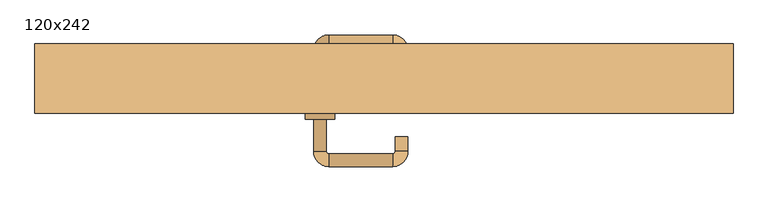
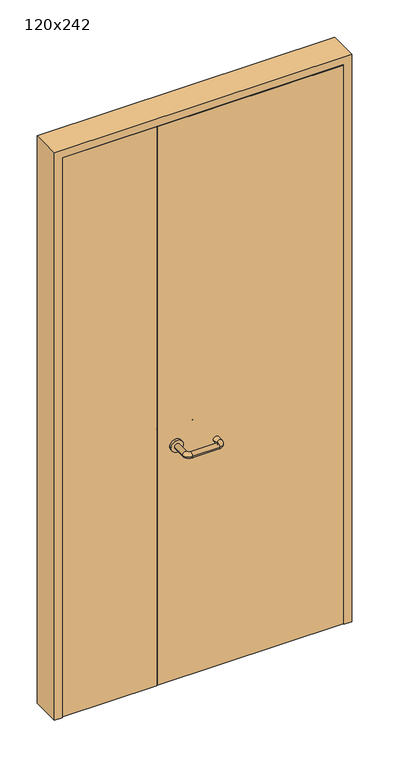
"""IFC4 building model written with IfcOpenShell, lengths in millimetres: door geometry, 120x242."""

from ifc_helpers import new_model, si_unit, point, frame, frame_2d, origin, place, context, project, spatial, polyline, circle_curve, ellipse_curve, trimmed, segment, composite_curve, outline, extrude, faceted_brep, source, transform, mapped, element, save
from ifc_brep_helpers import plane_surface, cylinder_surface, revolved_surface, advanced_brep


def door_120x242_2826c390(model_context):
    return source(origin(), model_context, "Body", "SolidModel", [
        faceted_brep([(547.0, -40.0, 0.0), (568.0, -40.0, 0.0), (568.0, -113.0, 0.0), (547.0, -113.0, 0.0), (547.0, -113.0, 2367.0), (547.0, -40.0, 2367.0), (568.0, -113.0, 2388.0), (568.0, -40.0, 2388.0), (-547.0, -40.0, 0.0), (-547.0, -113.0, 0.0), (-568.0, -113.0, 0.0), (-568.0, -40.0, 0.0), (-547.0, -40.0, 2367.0), (-568.0, -40.0, 2388.0), (-568.0, -113.0, 2388.0), (-547.0, -113.0, 2367.0)], [[[0, 1, 2, 3]], [[3, 4, 5, 0]], [[2, 6, 4, 3]], [[1, 7, 6, 2]], [[0, 5, 7, 1]], [[8, 9, 10, 11]], [[12, 8, 11, 13]], [[13, 11, 10, 14]], [[14, 10, 9, 15]], [[15, 9, 8, 12]], [[4, 15, 12, 5]], [[6, 14, 15, 4]], [[7, 13, 14, 6]], [[5, 12, 13, 7]]]),
        extrude(outline(polyline([(2420.0, -600.0), (0.0, -600.0), (0.0, -568.0), (2388.0, -568.0), (2388.0, 568.0), (0.0, 568.0), (0.0, 600.0), (2420.0, 600.0), (2420.0, -600.0)])), frame((0.0, -160.0, 0.0), z_axis=(0.0, 1.0, 0.0), x_axis=(0.0, 0.0, 1.0)), (0.0, 0.0, 1.0), 120.0),
        advanced_brep(
        [(-121.0, -105.8874183, 1003.0), (-99.0, -105.8874183, 1003.0), (-99.0, -51.0031939, 1003.0), (-121.0, -51.0031939, 1003.0), (-95.0, -47.0031939, 1003.0), (-95.0, -25.0031939, 1003.0), (15.0, -47.0031939, 1003.0), (15.0, -25.0031939, 1003.0), (19.0, -51.0031939, 1003.0), (41.0, -51.0031939, 1003.0), (41.0, -85.0, 1003.0), (19.0, -85.0, 1003.0)],
        [
            (0, 1, circle_curve(frame((-110.0, -105.8874183, 1003.0), z_axis=(0.0, -1.0, 0.0), x_axis=(1.0, 0.0, 0.0)), 11.0)),
            (1, 0, circle_curve(frame((-110.0, -105.8874183, 1003.0), z_axis=(0.0, -1.0, 0.0), x_axis=(1.0, 0.0, 0.0)), 11.0)),
            (1, 2),
            (2, 3, circle_curve(frame((-110.0, -51.0031939, 1003.0), z_axis=(0.0, -1.0, 0.0), x_axis=(1.0, 0.0, 0.0)), 11.0)),
            (3, 0),
            (3, 2, circle_curve(frame((-110.0, -51.0031939, 1003.0), z_axis=(0.0, -1.0, 0.0), x_axis=(1.0, 0.0, 0.0)), 11.0)),
            (4, 5, circle_curve(frame((-95.0, -36.0031939, 1003.0), z_axis=(-1.0, 0.0, 0.0), x_axis=(0.0, -1.0, 0.0)), 11.0)),
            (5, 3, circle_curve(frame((-95.0, -51.0031939, 1003.0), z_axis=(0.0, 0.0, 1.0), x_axis=(-1.0, 0.0, 0.0)), 26.0)),
            (2, 4, circle_curve(frame((-95.0, -51.0031939, 1003.0), z_axis=(0.0, 0.0, -1.0), x_axis=(-1.0, 0.0, 0.0)), 4.0)),
            (5, 4, circle_curve(frame((-95.0, -36.0031939, 1003.0), z_axis=(-1.0, 0.0, 0.0), x_axis=(0.0, -1.0, 0.0)), 11.0)),
            (4, 6),
            (6, 7, circle_curve(frame((15.0, -36.0031939, 1003.0), z_axis=(-1.0, 0.0, 0.0), x_axis=(0.0, -1.0, 0.0)), 11.0)),
            (7, 5),
            (7, 6, circle_curve(frame((15.0, -36.0031939, 1003.0), z_axis=(-1.0, 0.0, 0.0), x_axis=(0.0, -1.0, 0.0)), 11.0)),
            (8, 9, circle_curve(frame((30.0, -51.0031939, 1003.0), z_axis=(0.0, 1.0, 0.0), x_axis=(-1.0, 0.0, 0.0)), 11.0)),
            (9, 7, circle_curve(frame((15.0, -51.0031939, 1003.0), z_axis=(0.0, 0.0, 1.0), x_axis=(0.0, 1.0, 0.0)), 26.0)),
            (6, 8, circle_curve(frame((15.0, -51.0031939, 1003.0), z_axis=(0.0, 0.0, -1.0), x_axis=(0.0, 1.0, 0.0)), 4.0)),
            (9, 8, circle_curve(frame((30.0, -51.0031939, 1003.0), z_axis=(0.0, 1.0, 0.0), x_axis=(-1.0, 0.0, 0.0)), 11.0)),
            (10, 11, circle_curve(frame((30.0, -85.0, 1003.0), z_axis=(0.0, -1.0, 0.0), x_axis=(-1.0, 0.0, 0.0)), 11.0)),
            (11, 10, circle_curve(frame((30.0, -85.0, 1003.0), z_axis=(0.0, -1.0, 0.0), x_axis=(-1.0, 0.0, 0.0)), 11.0)),
            (8, 11),
            (10, 9),
        ],
        [
            plane_surface(frame((-121.0, -105.8874183, 1003.0), z_axis=(0.0, -1.0, 0.0), x_axis=(0.0, 0.0, -1.0))),
            cylinder_surface(frame((-110.0, -105.8874183, 1003.0), z_axis=(0.0, -1.0, 0.0), x_axis=(1.0, 0.0, 0.0)), 11.0),
            revolved_surface(trimmed(ellipse_curve(frame((-110.0, -51.0031939, 1003.0), z_axis=(0.0, 1.0, 0.0), x_axis=(1.0, 0.0, 0.0)), 11.0, 11.0), [point((-121.0, -51.0031939, 1003.0))], [point((-99.0, -51.0031939, 1003.0))], True, "CARTESIAN"), (-95.0, -51.0031939, 1003.0), (0.0, 0.0, 1.0)),
            revolved_surface(trimmed(ellipse_curve(frame((-110.0, -51.0031939, 1003.0), z_axis=(0.0, 1.0, 0.0), x_axis=(1.0, 0.0, 0.0)), 11.0, 11.0), [point((-99.0, -51.0031939, 1003.0))], [point((-121.0, -51.0031939, 1003.0))], True, "CARTESIAN"), (-95.0, -51.0031939, 1003.0), (0.0, 0.0, 1.0)),
            cylinder_surface(frame((-95.0, -36.0031939, 1003.0), z_axis=(-1.0, 0.0, 0.0), x_axis=(0.0, -1.0, 0.0)), 11.0),
            revolved_surface(trimmed(ellipse_curve(frame((15.0, -36.0031939, 1003.0), z_axis=(1.0, 0.0, 0.0), x_axis=(0.0, -1.0, 0.0)), 11.0, 11.0), [point((15.0, -25.0031939, 1003.0))], [point((15.0, -47.0031939, 1003.0))], True, "CARTESIAN"), (15.0, -51.0031939, 1003.0), (0.0, 0.0, 1.0)),
            revolved_surface(trimmed(ellipse_curve(frame((15.0, -36.0031939, 1003.0), z_axis=(1.0, 0.0, 0.0), x_axis=(0.0, -1.0, 0.0)), 11.0, 11.0), [point((15.0, -47.0031939, 1003.0))], [point((15.0, -25.0031939, 1003.0))], True, "CARTESIAN"), (15.0, -51.0031939, 1003.0), (0.0, 0.0, 1.0)),
            plane_surface(frame((19.0, -85.0, 1003.0), z_axis=(0.0, -1.0, 0.0), x_axis=(0.0, 0.0, 1.0))),
            cylinder_surface(frame((30.0, -51.0031939, 1003.0), z_axis=(0.0, 1.0, 0.0), x_axis=(-1.0, 0.0, 0.0)), 11.0),
        ],
        [
            (0, [[1, 2]]),
            (1, [[3, 4, 5, -2]]),
            (1, [[-5, 6, -3, -1]]),
            (2, [[7, 8, -4, 9]]),
            (3, [[10, -9, -6, -8]]),
            (4, [[11, 12, 13, -7]]),
            (4, [[-13, 14, -11, -10]]),
            (5, [[15, 16, -12, 17]]),
            (6, [[18, -17, -14, -16]]),
            (7, [[19, 20]]),
            (8, [[21, -19, 22, -15]]),
            (8, [[-22, -20, -21, -18]]),
        ],
    ),
        extrude(outline(polyline([(-186.99898, -116.0), (-186.99898, -160.0), (-565.0, -160.0), (-565.0, -116.0), (-186.99898, -116.0)])), frame((0.0, 0.0, 3.0), z_axis=(0.0, 0.0, 1.0), x_axis=(1.0, 0.0, 0.0)), (0.0, 0.0, 1.0), 2382.0),
        extrude(outline(polyline([(565.0, -116.0), (565.0, -160.0), (-185.0, -160.0), (-185.0, -116.0), (565.0, -116.0)])), frame((0.0, 0.0, 3.0), z_axis=(0.0, 0.0, 1.0), x_axis=(1.0, 0.0, 0.0)), (0.0, 0.0, 1.0), 2382.0),
        extrude(outline(composite_curve([segment(trimmed(circle_curve(frame_2d((1003.0, -110.0)), 25.0), [point((1003.0, -135.0))], [point((1003.0, -85.0))], False, "CARTESIAN"), True, "CONTINUOUS"), segment(trimmed(circle_curve(frame_2d((1003.0, -110.0)), 25.0), [point((1003.0, -85.0))], [point((1003.0, -135.0))], False, "CARTESIAN"), True, "CONTINUOUS")], self_intersect=False)), frame((0.0, -116.0, 0.0), z_axis=(0.0, 1.0, 0.0), x_axis=(0.0, 0.0, 1.0)), (0.0, 0.0, 1.0), 10.1125817),
        advanced_brep(
        [(-99.0, -170.0, 1003.0), (-121.0, -170.0, 1003.0), (-121.0, -225.0, 1003.0), (-99.0, -225.0, 1003.0), (-95.0, -251.0, 1003.0), (-95.0, -229.0, 1003.0), (15.0, -251.0, 1003.0), (15.0, -229.0, 1003.0), (41.0, -225.0, 1003.0), (19.0, -225.0, 1003.0), (19.0, -200.0, 1003.0), (41.0, -200.0, 1003.0)],
        [
            (0, 1, circle_curve(frame((-110.0, -170.0, 1003.0), z_axis=(0.0, 1.0, 0.0), x_axis=(-1.0, 0.0, 0.0)), 11.0)),
            (1, 0, circle_curve(frame((-110.0, -170.0, 1003.0), z_axis=(0.0, 1.0, 0.0), x_axis=(-1.0, 0.0, 0.0)), 11.0)),
            (1, 2),
            (2, 3, circle_curve(frame((-110.0, -225.0, 1003.0), z_axis=(0.0, 1.0, 0.0), x_axis=(-1.0, 0.0, 0.0)), 11.0)),
            (3, 0),
            (3, 2, circle_curve(frame((-110.0, -225.0, 1003.0), z_axis=(0.0, 1.0, 0.0), x_axis=(-1.0, 0.0, 0.0)), 11.0)),
            (4, 5, circle_curve(frame((-95.0, -240.0, 1003.0), z_axis=(-1.0, 0.0, 0.0), x_axis=(0.0, -1.0, 0.0)), 11.0)),
            (5, 3, circle_curve(frame((-95.0, -225.0, 1003.0), z_axis=(0.0, 0.0, -1.0), x_axis=(-1.0, 0.0, 0.0)), 4.0)),
            (2, 4, circle_curve(frame((-95.0, -225.0, 1003.0), z_axis=(0.0, 0.0, 1.0), x_axis=(-1.0, 0.0, 0.0)), 26.0)),
            (5, 4, circle_curve(frame((-95.0, -240.0, 1003.0), z_axis=(-1.0, 0.0, 0.0), x_axis=(0.0, -1.0, 0.0)), 11.0)),
            (4, 6),
            (6, 7, circle_curve(frame((15.0, -240.0, 1003.0), z_axis=(-1.0, 0.0, 0.0), x_axis=(0.0, -1.0, 0.0)), 11.0)),
            (7, 5),
            (7, 6, circle_curve(frame((15.0, -240.0, 1003.0), z_axis=(-1.0, 0.0, 0.0), x_axis=(0.0, -1.0, 0.0)), 11.0)),
            (8, 9, circle_curve(frame((30.0, -225.0, 1003.0), z_axis=(0.0, -1.0, 0.0), x_axis=(1.0, 0.0, 0.0)), 11.0)),
            (9, 7, circle_curve(frame((15.0, -225.0, 1003.0), z_axis=(0.0, 0.0, -1.0), x_axis=(0.0, -1.0, 0.0)), 4.0)),
            (6, 8, circle_curve(frame((15.0, -225.0, 1003.0), z_axis=(0.0, 0.0, 1.0), x_axis=(0.0, -1.0, 0.0)), 26.0)),
            (9, 8, circle_curve(frame((30.0, -225.0, 1003.0), z_axis=(0.0, -1.0, 0.0), x_axis=(1.0, 0.0, 0.0)), 11.0)),
            (10, 11, circle_curve(frame((30.0, -200.0, 1003.0), z_axis=(0.0, 1.0, 0.0), x_axis=(1.0, 0.0, 0.0)), 11.0)),
            (11, 10, circle_curve(frame((30.0, -200.0, 1003.0), z_axis=(0.0, 1.0, 0.0), x_axis=(1.0, 0.0, 0.0)), 11.0)),
            (8, 11),
            (10, 9),
        ],
        [
            plane_surface(frame((-121.0, -170.0, 1003.0), z_axis=(0.0, 1.0, 0.0), x_axis=(0.0, 0.0, 1.0))),
            cylinder_surface(frame((-110.0, -170.0, 1003.0), z_axis=(0.0, 1.0, 0.0), x_axis=(-1.0, 0.0, 0.0)), 11.0),
            revolved_surface(trimmed(ellipse_curve(frame((-110.0, -225.0, 1003.0), z_axis=(0.0, -1.0, 0.0), x_axis=(-1.0, 0.0, 0.0)), 11.0, 11.0), [point((-99.0, -225.0, 1003.0))], [point((-121.0, -225.0, 1003.0))], True, "CARTESIAN"), (-95.0, -225.0, 1003.0), (0.0, 0.0, -1.0)),
            revolved_surface(trimmed(ellipse_curve(frame((-110.0, -225.0, 1003.0), z_axis=(0.0, -1.0, 0.0), x_axis=(-1.0, 0.0, 0.0)), 11.0, 11.0), [point((-121.0, -225.0, 1003.0))], [point((-99.0, -225.0, 1003.0))], True, "CARTESIAN"), (-95.0, -225.0, 1003.0), (0.0, 0.0, -1.0)),
            cylinder_surface(frame((-95.0, -240.0, 1003.0), z_axis=(-1.0, 0.0, 0.0), x_axis=(0.0, -1.0, 0.0)), 11.0),
            revolved_surface(trimmed(ellipse_curve(frame((15.0, -240.0, 1003.0), z_axis=(1.0, 0.0, 0.0), x_axis=(0.0, -1.0, 0.0)), 11.0, 11.0), [point((15.0, -229.0, 1003.0))], [point((15.0, -251.0, 1003.0))], True, "CARTESIAN"), (15.0, -225.0, 1003.0), (0.0, 0.0, -1.0)),
            revolved_surface(trimmed(ellipse_curve(frame((15.0, -240.0, 1003.0), z_axis=(1.0, 0.0, 0.0), x_axis=(0.0, -1.0, 0.0)), 11.0, 11.0), [point((15.0, -251.0, 1003.0))], [point((15.0, -229.0, 1003.0))], True, "CARTESIAN"), (15.0, -225.0, 1003.0), (0.0, 0.0, -1.0)),
            plane_surface(frame((19.0, -200.0, 1003.0), z_axis=(0.0, 1.0, 0.0), x_axis=(0.0, 0.0, -1.0))),
            cylinder_surface(frame((30.0, -225.0, 1003.0), z_axis=(0.0, -1.0, 0.0), x_axis=(1.0, 0.0, 0.0)), 11.0),
        ],
        [
            (0, [[1, 2]]),
            (1, [[3, 4, 5, -2]]),
            (1, [[-5, 6, -3, -1]]),
            (2, [[7, 8, -4, 9]]),
            (3, [[10, -9, -6, -8]]),
            (4, [[11, 12, 13, -7]]),
            (4, [[-13, 14, -11, -10]]),
            (5, [[15, 16, -12, 17]]),
            (6, [[18, -17, -14, -16]]),
            (7, [[19, 20]]),
            (8, [[21, -19, 22, -15]]),
            (8, [[-22, -20, -21, -18]]),
        ],
    ),
        extrude(outline(composite_curve([segment(trimmed(circle_curve(frame_2d((1003.0, -110.0)), 25.0), [point((1003.0, -85.0))], [point((1003.0, -135.0))], False, "CARTESIAN"), True, "CONTINUOUS"), segment(trimmed(circle_curve(frame_2d((1003.0, -110.0)), 25.0), [point((1003.0, -135.0))], [point((1003.0, -85.0))], False, "CARTESIAN"), True, "CONTINUOUS")], self_intersect=False)), frame((0.0, -170.0, 0.0), z_axis=(0.0, 1.0, 0.0), x_axis=(0.0, 0.0, 1.0)), (0.0, 0.0, 1.0), 10.0),
    ])


if __name__ == "__main__":
    model = new_model("IFC4")
    model_context = context("Model", 3, world=origin())
    ifc_project = project(units=[si_unit("LENGTHUNIT", "METRE", prefix="MILLI")], contexts=[model_context])
    site = spatial("IfcSite", under=ifc_project)
    building = spatial("IfcBuilding", under=site)
    placement = place(None, origin())
    door_120x242_shape = door_120x242_2826c390(model_context)
    element("IfcDoor", 1, ObjectType="120x242", at=placement, inside=building, context=model_context, shape_type="MappedRepresentation", body=[
        mapped(door_120x242_shape, transform((0.0, 0.0, 0.0), x_axis=(1.0, 0.0, 0.0), y_axis=(0.0, 1.0, 0.0), z_axis=(0.0, 0.0, 1.0))),
    ])
    save(model, "model.ifc")
